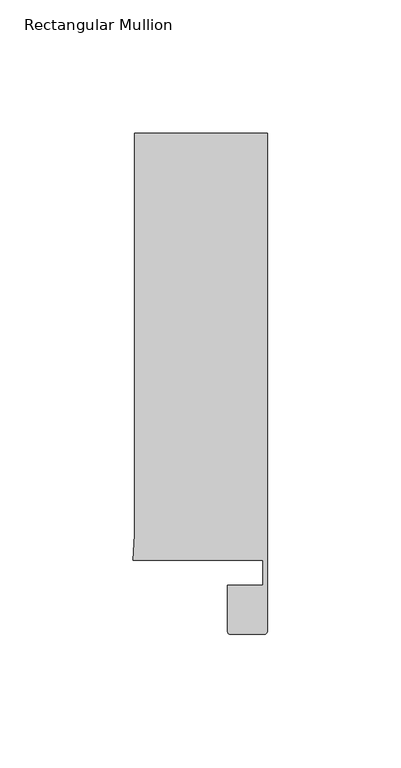
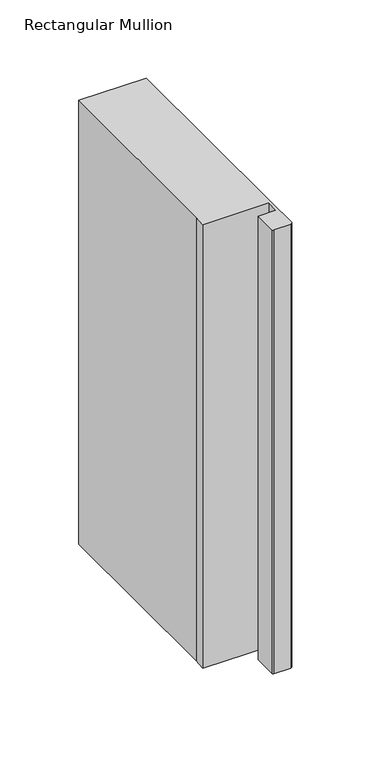
"""IFC4 building model written with IfcOpenShell, lengths in millimetres: member geometry, Rectangular Mullion."""

from ifc_helpers import new_model, si_unit, frame, origin, place, context, project, spatial, circle_curve, source, transform, mapped, element, save
from ifc_brep_helpers import plane_surface, cylinder_surface, advanced_brep


def rectangular_mullion_4883577e(model_context):
    return source(origin(), model_context, "Body", "AdvancedBrep", [
        advanced_brep(
        [(0.0, 173.9954336, 0.0), (-50.0, 173.9954336, 0.0), (-50.0, 23.4857001, 0.0), (-50.4480466, 14.0, 0.0), (-1.8004864, 14.0, 0.0), (-1.8004864, 4.6022209, 0.0), (-15.0004864, 4.6022209, 0.0), (-15.0004864, -12.8070627, 0.0), (-14.000243, -13.8070627, 0.0), (-1.5004864, -13.8070627, 0.0), (-0.0004864, -12.3070627, 0.0), (-0.0004864, 14.0, 0.0), (0.0, 173.9954336, -347.0919278), (0.0, 13.9954336, -347.0919278), (-0.0004864, -12.3070627, -347.0919278), (-1.5004864, -13.8070627, -347.0919278), (-14.000243, -13.8070627, -347.0919278), (-15.000243, -12.8070627, -347.0919278), (-15.0004864, 4.6022209, -347.0919278), (-1.8004864, 4.6022209, -347.0919278), (-1.8004864, 14.0, -347.0919278), (-50.4480466, 14.0, -347.0919278), (-50.0, 23.4857001, -347.0919278), (-50.0, 173.9954336, -347.0919278)],
        [
            (0, 1),
            (1, 2),
            (2, 3),
            (3, 4),
            (4, 5),
            (5, 6),
            (6, 7),
            (7, 8, circle_curve(frame((-14.000243, -12.8070627, 0.0), z_axis=(0.0, 0.0, 1.0), x_axis=(1.0, 0.0, 0.0)), 1.0)),
            (8, 9),
            (9, 10, circle_curve(frame((-1.5004864, -12.3070627, 0.0), z_axis=(0.0, 0.0, 1.0), x_axis=(1.0, 0.0, 0.0)), 1.5)),
            (10, 11),
            (11, 0),
            (12, 13),
            (13, 14),
            (14, 15, circle_curve(frame((-1.5004864, -12.3070627, -347.0919278), z_axis=(0.0, 0.0, -1.0), x_axis=(1.0, 0.0, 0.0)), 1.5)),
            (15, 16),
            (16, 17, circle_curve(frame((-14.000243, -12.8070627, -347.0919278), z_axis=(0.0, 0.0, -1.0), x_axis=(1.0, 0.0, 0.0)), 1.0)),
            (17, 18),
            (18, 19),
            (19, 20),
            (20, 21),
            (21, 22),
            (22, 23),
            (23, 12),
            (0, 12),
            (23, 1),
            (22, 2),
            (21, 3),
            (20, 4),
            (19, 5),
            (18, 6),
            (17, 7),
            (16, 8),
            (15, 9),
            (14, 10),
            (13, 11),
        ],
        [
            plane_surface(frame((0.0, -181.0370429, 0.0), z_axis=(0.0, 0.0, 1.0), x_axis=(-1.0, 0.0, 0.0))),
            plane_surface(frame((0.0, -181.0370429, -347.0919278), z_axis=(0.0, 0.0, -1.0), x_axis=(-1.0, 0.0, 0.0))),
            plane_surface(frame((0.0, 173.9954336, 0.0), z_axis=(0.0, 1.0, 0.0), x_axis=(0.0, 0.0, -1.0))),
            plane_surface(frame((-50.0, 173.9954336, 0.0), z_axis=(-1.0, 0.0, 0.0), x_axis=(0.0, 0.0, -1.0))),
            plane_surface(frame((-50.0, 23.4857001, 0.0), z_axis=(-0.9988863426396707, 0.04718129383497829, 0.0), x_axis=(0.0, 0.0, -1.0))),
            plane_surface(frame((-50.4480466, 14.0, 0.0), z_axis=(0.0, -1.0, 0.0), x_axis=(0.0, 0.0, -1.0))),
            plane_surface(frame((-1.8004864, 14.0, 0.0), z_axis=(-1.0, 0.0, 0.0), x_axis=(0.0, 0.0, -1.0))),
            plane_surface(frame((-1.8004864, 4.6022209, 0.0), z_axis=(0.0, 1.0, 0.0), x_axis=(0.0, 0.0, -1.0))),
            plane_surface(frame((-15.0004864, 4.6022209, 0.0), z_axis=(-1.0, 0.0, 0.0), x_axis=(0.0, 0.0, -1.0))),
            cylinder_surface(frame((-14.000243, -12.8070627, 0.0), z_axis=(0.0, 0.0, 1.0), x_axis=(1.0, 0.0, 0.0)), 1.0),
            plane_surface(frame((-14.000243, -13.8070627, 0.0), z_axis=(0.0, -1.0, 0.0), x_axis=(0.0, 0.0, -1.0))),
            cylinder_surface(frame((-1.5004864, -12.3070627, 0.0), z_axis=(0.0, 0.0, 1.0), x_axis=(1.0, 0.0, 0.0)), 1.5),
            plane_surface(frame((-0.0004864, -12.3070627, 0.0), z_axis=(1.0, 0.0, 0.0), x_axis=(0.0, 0.0, -1.0))),
            plane_surface(frame((0.0, 13.9954336, 0.0), z_axis=(1.0, 0.0, 0.0), x_axis=(0.0, 0.0, -1.0))),
        ],
        [
            (0, [[1, 2, 3, 4, 5, 6, 7, 8, 9, 10, 11, 12]]),
            (1, [[13, 14, 15, 16, 17, 18, 19, 20, 21, 22, 23, 24]]),
            (2, [[-1, 25, -24, 26]]),
            (3, [[-2, -26, -23, 27]]),
            (4, [[-3, -27, -22, 28]]),
            (5, [[-4, -28, -21, 29]]),
            (6, [[-5, -29, -20, 30]]),
            (7, [[-6, -30, -19, 31]]),
            (8, [[-7, -31, -18, 32]]),
            (9, [[-8, -32, -17, 33]]),
            (10, [[-9, -33, -16, 34]]),
            (11, [[-10, -34, -15, 35]]),
            (12, [[-11, -35, -14, 36]]),
            (13, [[-12, -36, -13, -25]]),
        ],
    ),
    ])


if __name__ == "__main__":
    model = new_model("IFC4")
    model_context = context("Model", 3, world=origin())
    ifc_project = project(units=[si_unit("LENGTHUNIT", "METRE", prefix="MILLI")], contexts=[model_context])
    site = spatial("IfcSite", under=ifc_project)
    building = spatial("IfcBuilding", under=site)
    placement = place(None, origin())
    rectangular_mullion_shape = rectangular_mullion_4883577e(model_context)
    element("IfcMember", 1, ObjectType="Rectangular Mullion", at=placement, inside=building, context=model_context, shape_type="MappedRepresentation", body=[
        mapped(rectangular_mullion_shape, transform((0.0, 0.0, 0.0), x_axis=(1.0, 0.0, 0.0), y_axis=(0.0, 1.0, 0.0), z_axis=(0.0, 0.0, 1.0))),
    ])
    save(model, "model.ifc")
